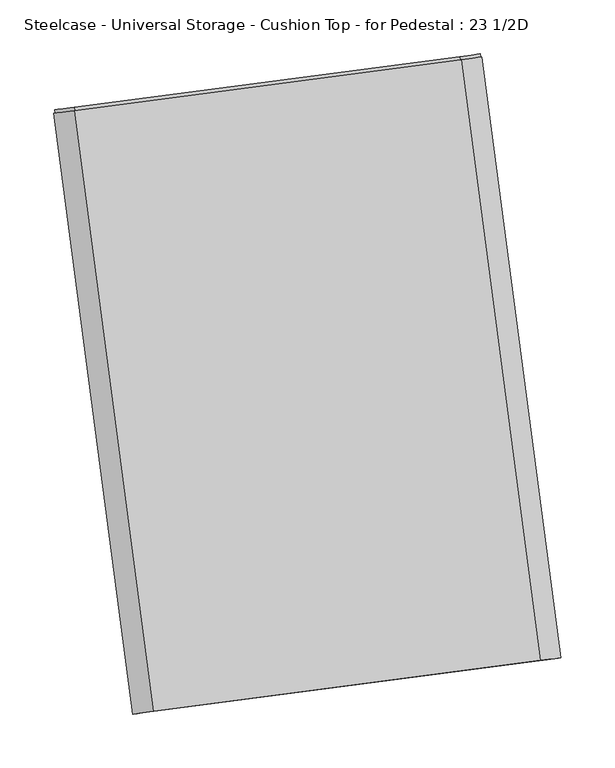
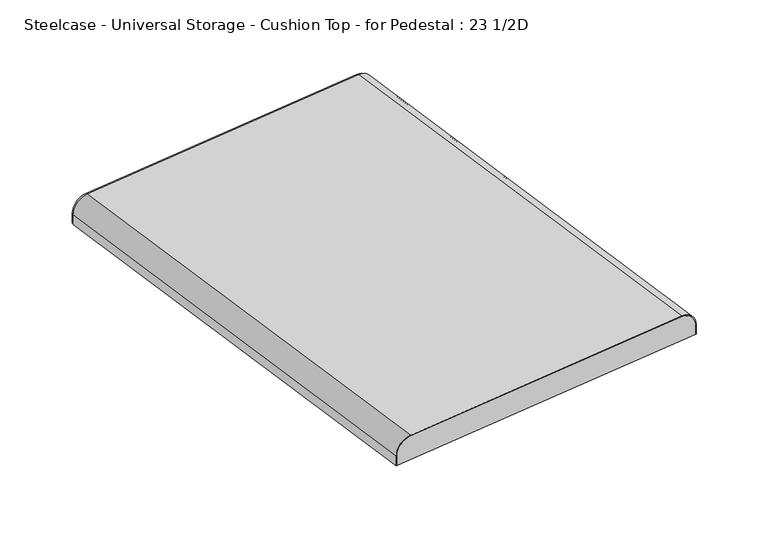
"""IFC4 building model written with IfcOpenShell, lengths in millimetres: furniture geometry, Steelcase - Universal Storage - Cushion Top - for Pedestal : 23 1/2D."""

from ifc_helpers import new_model, si_unit, point, frame, frame_2d, origin, place, context, project, spatial, polyline, circle_curve, trimmed, segment, composite_curve, outline, extrude, source, transform, mapped, element, save


def steelcase_universal_storage_cushion_top_for_pedestal_23_1_2d_759bf8f0(model_context):
    return source(origin(), model_context, "Body", "SweptSolid", [
        extrude(outline(composite_curve([segment(polyline([(12.4883434, 0.0), (12.4883434, -398.1718688), (0.9825059, -398.1718688)]), True, "CONTINUOUS"), segment(trimmed(circle_curve(frame_2d((0.9825059, -379.1218688)), 19.05), [point((0.9825059, -398.1718688))], [point((-18.0674941, -379.1218688))], False, "CARTESIAN"), True, "CONTINUOUS"), segment(polyline([(-18.0674941, -379.1218688), (-18.0674941, -18.0674941)]), True, "CONTINUOUS"), segment(trimmed(circle_curve(frame_2d((0.0, -18.0674941)), 18.0674941), [point((-18.0674941, -18.0674941))], [point((0.0, 0.0))], False, "CARTESIAN"), True, "CONTINUOUS"), segment(polyline([(0.0, 0.0), (12.4883434, 0.0)]), True, "CONTINUOUS")], self_intersect=False)), frame((77.51364, -579.8005463, 545.8883434), z_axis=(-0.13053051227406506, 0.9914442926183348, 0.0), x_axis=(0.0, 0.0, -1.0)), (0.0, 0.0, 1.0), 565.2730172),
        extrude(outline(composite_curve([segment(polyline([(12.5218375, 0.0), (12.5218375, -1.016), (0.0334941, -1.016)]), True, "CONTINUOUS"), segment(trimmed(circle_curve(frame_2d((0.0334941, -19.083494)), 18.0674941), [point((0.0334941, -1.016))], [point((-18.034, -19.083494))], True, "CARTESIAN"), True, "CONTINUOUS"), segment(polyline([(-18.034, -19.083494), (-18.034, -380.2924716)]), True, "CONTINUOUS"), segment(trimmed(circle_curve(frame_2d((1.016, -380.2924716)), 19.05), [point((-18.034, -380.2924716))], [point((1.016, -399.3424716))], True, "CARTESIAN"), True, "CONTINUOUS"), segment(polyline([(1.016, -399.3424716), (12.5218375, -399.3424716), (12.5218375, -400.3584716), (0.0538401, -400.3584716)]), True, "CONTINUOUS"), segment(trimmed(circle_curve(frame_2d((-0.0076377, -381.316191)), 19.0423799), [point((0.0538401, -400.3584716))], [point((-19.05, -381.2902881))], False, "CARTESIAN"), True, "CONTINUOUS"), segment(polyline([(-19.05, -381.2902881), (-19.05, -19.0499999)]), True, "CONTINUOUS"), segment(trimmed(circle_curve(frame_2d((0.0, -19.0499999)), 19.05), [point((-19.05, -19.0499999))], [point((0.0, 0.0))], False, "CARTESIAN"), True, "CONTINUOUS"), segment(polyline([(0.0, 0.0), (12.5218375, 0.0)]), True, "CONTINUOUS")], self_intersect=False)), frame((76.3530525, -579.9533457, 545.9218375), z_axis=(-0.13053051227406506, 0.9914442926183348, 0.0), x_axis=(0.0, 0.0, -1.0)), (0.0, 0.0, 1.0), 562.2235172),
    ])


if __name__ == "__main__":
    model = new_model("IFC4")
    model_context = context("Model", 3, world=origin())
    ifc_project = project(units=[si_unit("LENGTHUNIT", "METRE", prefix="MILLI")], contexts=[model_context])
    site = spatial("IfcSite", under=ifc_project)
    building = spatial("IfcBuilding", under=site)
    placement = place(None, origin())
    steelcase_universal_storage_cushion_top_for_pedestal_23_1_2d_shape = steelcase_universal_storage_cushion_top_for_pedestal_23_1_2d_759bf8f0(model_context)
    element("IfcFurniture", 1, ObjectType="Steelcase - Universal Storage - Cushion Top - for Pedestal : 23 1/2D", at=placement, inside=building, context=model_context, shape_type="MappedRepresentation", body=[
        mapped(steelcase_universal_storage_cushion_top_for_pedestal_23_1_2d_shape, transform((0.0, 0.0, 0.0), x_axis=(1.0, 0.0, 0.0), y_axis=(0.0, 1.0, 0.0), z_axis=(0.0, 0.0, 1.0))),
    ])
    save(model, "model.ifc")
